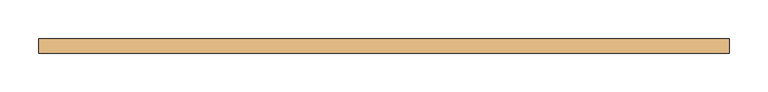
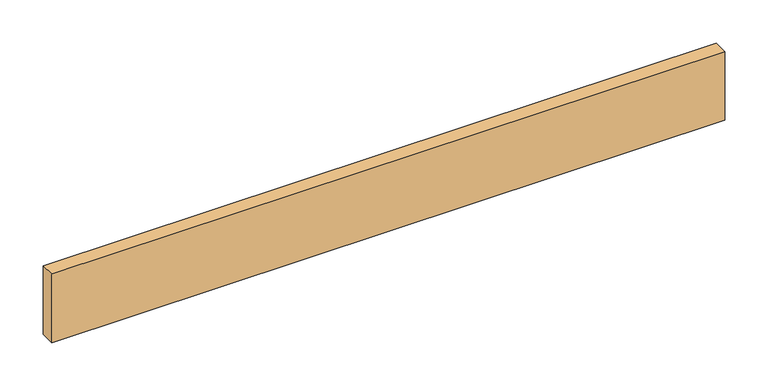
"""IFC4 building model written with IfcOpenShell, lengths in millimetres: door geometry."""

from ifc_helpers import new_model, si_unit, origin, origin_with_axes, place, context, project, spatial, polyline, outline, extrude, source, transform, mapped, element, save


def door_79fb4d60(model_context):
    return source(origin(), model_context, "Body", "SweptSolid", [
        extrude(outline(polyline([(447.7193698, 0.0), (-447.7193698, 0.0), (-447.7193698, 19.05), (447.7193698, 19.05), (447.7193698, 0.0)])), origin_with_axes(), (0.0, 0.0, 1.0), 96.52),
    ])


if __name__ == "__main__":
    model = new_model("IFC4")
    model_context = context("Model", 3, world=origin())
    ifc_project = project(units=[si_unit("LENGTHUNIT", "METRE", prefix="MILLI")], contexts=[model_context])
    site = spatial("IfcSite", under=ifc_project)
    building = spatial("IfcBuilding", under=site)
    placement = place(None, origin())
    door_shape = door_79fb4d60(model_context)
    element("IfcDoor", 1, at=placement, inside=building, context=model_context, shape_type="MappedRepresentation", body=[
        mapped(door_shape, transform((0.0, 0.0, 0.0), x_axis=(1.0, 0.0, 0.0), y_axis=(0.0, 1.0, 0.0), z_axis=(0.0, 0.0, 1.0))),
    ])
    save(model, "model.ifc")
